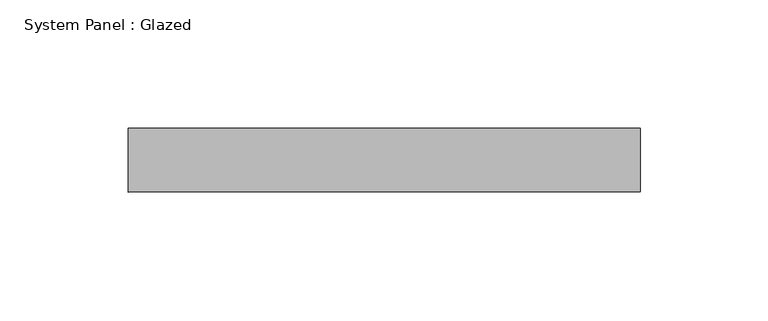
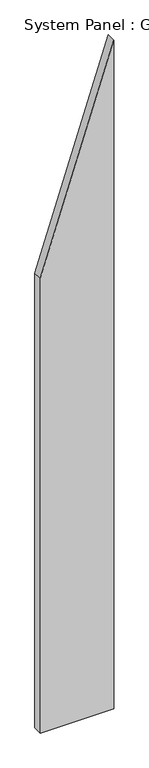
"""IFC4 building model written with IfcOpenShell, lengths in millimetres: plate geometry, System Panel : Glazed."""

from ifc_helpers import new_model, si_unit, frame, origin, place, context, project, spatial, polyline, outline, extrude, source, transform, mapped, element, save


def system_panel_glazed_923ea650(model_context):
    return source(origin(), model_context, "Body", "SweptSolid", [
        extrude(outline(polyline([(0.0, -100.0), (0.0, 100.0), (1923.076924, 100.0), (1307.6923086, -100.0), (0.0, -100.0)])), frame((0.0, 24.5, 0.0), z_axis=(0.0, 1.0, 0.0), x_axis=(0.0, 0.0, 1.0)), (0.0, 0.0, 1.0), 25.0),
    ])


if __name__ == "__main__":
    model = new_model("IFC4")
    model_context = context("Model", 3, world=origin())
    ifc_project = project(units=[si_unit("LENGTHUNIT", "METRE", prefix="MILLI")], contexts=[model_context])
    site = spatial("IfcSite", under=ifc_project)
    building = spatial("IfcBuilding", under=site)
    placement = place(None, origin())
    system_panel_glazed_shape = system_panel_glazed_923ea650(model_context)
    element("IfcPlate", 1, ObjectType="System Panel : Glazed", at=placement, inside=building, context=model_context, shape_type="MappedRepresentation", body=[
        mapped(system_panel_glazed_shape, transform((0.0, 0.0, 0.0), x_axis=(1.0, 0.0, 0.0), y_axis=(0.0, 1.0, 0.0), z_axis=(0.0, 0.0, 1.0))),
    ])
    save(model, "model.ifc")
